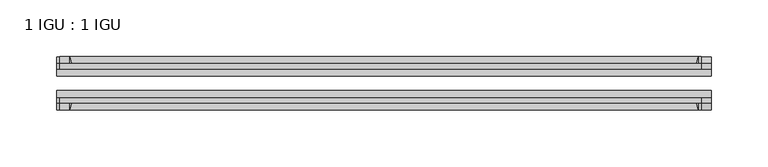
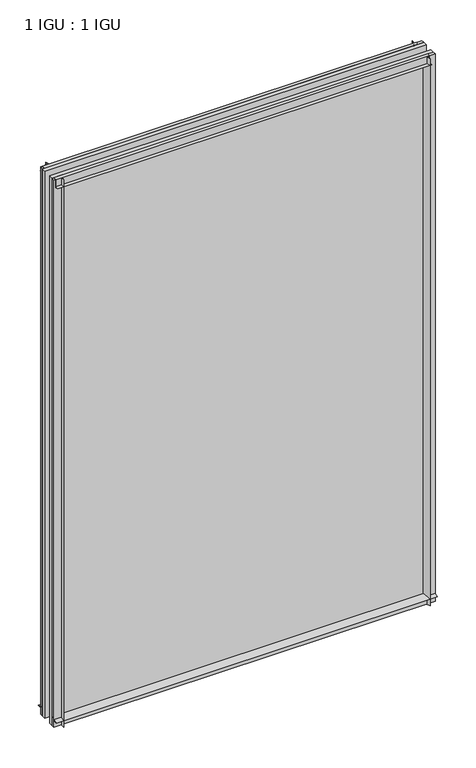
"""IFC4 building model written with IfcOpenShell, lengths in millimetres: plate geometry, 1 IGU : 1 IGU."""

from ifc_helpers import new_model, si_unit, point, frame, frame_2d, origin, place, context, project, spatial, polyline, circle_curve, trimmed, segment, composite_curve, outline, extrude, source, transform, mapped, element, save


def plate_1_igu_1_igu_88af03c9(model_context):
    return source(origin(), model_context, "Body", "SweptSolid", [
        extrude(outline(composite_curve([segment(trimmed(circle_curve(frame_2d((-28.0741797, 32.2797688)), 32.7673262), [point((-44.45, 3.8979053))], [point((-33.7058, 1.48e-05))], True, "CARTESIAN"), True, "CONTINUOUS"), segment(polyline([(-33.7058, 1.48e-05), (-39.6748, 1.48e-05), (-39.6748, -10.31875), (-44.45, -10.31875), (-44.45, 3.8979053)]), True, "CONTINUOUS")], self_intersect=False)), frame((-287.3371031, 0.0, 0.0), z_axis=(1.0, 0.0, 0.0), x_axis=(0.0, 1.0, 0.0)), (0.0, 0.0, 1.0), 574.6742063),
        extrude(outline(composite_curve([segment(trimmed(circle_curve(frame_2d((-86.2258203, 32.2797602)), 32.7673262), [point((-80.5942354, 0.0))], [point((-69.85, 3.8978967))], True, "CARTESIAN"), True, "CONTINUOUS"), segment(polyline([(-69.85, 3.8978967), (-69.85, -10.31875), (-74.6252, -10.31875), (-74.6252, 0.0), (-80.5942354, 0.0)]), True, "CONTINUOUS")], self_intersect=False)), frame((-287.3371031, 0.0, 0.0), z_axis=(1.0, 0.0, 0.0), x_axis=(0.0, 1.0, 0.0)), (0.0, 0.0, 1.0), 574.6742063),
        extrude(outline(composite_curve([segment(polyline([(-80.5942, 850.9), (-74.6252, 850.9), (-74.6252, 862.0125), (-69.85, 862.0125), (-69.85, 847.0021095)]), True, "CONTINUOUS"), segment(trimmed(circle_curve(frame_2d((-86.2258203, 818.620246)), 32.7673262), [point((-69.85, 847.0021095))], [point((-80.5942, 850.9))], True, "CARTESIAN"), True, "CONTINUOUS")], self_intersect=False)), frame((-284.7373418, 0.0, 0.0), z_axis=(1.0, 0.0, 0.0), x_axis=(0.0, 1.0, 0.0)), (0.0, 0.0, 1.0), 563.5079064),
        extrude(outline(composite_curve([segment(polyline([(-39.6748, 862.0125), (-39.6748, 850.9), (-33.7058, 850.9)]), True, "CONTINUOUS"), segment(trimmed(circle_curve(frame_2d((-28.0741797, 818.620246)), 32.7673262), [point((-33.7058, 850.9))], [point((-44.45, 847.0021095))], True, "CARTESIAN"), True, "CONTINUOUS"), segment(polyline([(-44.45, 847.0021095), (-44.45, 862.0125), (-39.6748, 862.0125)]), True, "CONTINUOUS")], self_intersect=False)), frame((-284.7373418, 0.0, 0.0), z_axis=(1.0, 0.0, 0.0), x_axis=(0.0, 1.0, 0.0)), (0.0, 0.0, 1.0), 563.5079064),
        extrude(outline(composite_curve([segment(polyline([(287.3371031, -39.6748), (287.3371031, -44.45), (272.3267126, -44.45)]), True, "CONTINUOUS"), segment(trimmed(circle_curve(frame_2d((243.9448492, -28.0741797)), 32.7673262), [point((272.3267126, -44.45))], [point((276.2246031, -33.7058))], True, "CARTESIAN"), True, "CONTINUOUS"), segment(polyline([(276.2246031, -33.7058), (276.2246031, -39.6748), (287.3371031, -39.6748)]), True, "CONTINUOUS")], self_intersect=False)), frame((0.0, 0.0, -10.31875), z_axis=(0.0, 0.0, 1.0), x_axis=(1.0, 0.0, 0.0)), (0.0, 0.0, 1.0), 872.33125),
        extrude(outline(composite_curve([segment(polyline([(287.3371031, -69.85), (287.3371031, -74.6252), (276.2246031, -74.6252), (276.2246031, -80.5942)]), True, "CONTINUOUS"), segment(trimmed(circle_curve(frame_2d((243.9448492, -86.2258203)), 32.7673262), [point((276.2246031, -80.5942))], [point((272.3267126, -69.85))], True, "CARTESIAN"), True, "CONTINUOUS"), segment(polyline([(272.3267126, -69.85), (287.3371031, -69.85)]), True, "CONTINUOUS")], self_intersect=False)), frame((0.0, 0.0, -10.31875), z_axis=(0.0, 0.0, 1.0), x_axis=(1.0, 0.0, 0.0)), (0.0, 0.0, 1.0), 872.33125),
        extrude(outline(composite_curve([segment(polyline([(-287.3371031, -39.6748), (-276.2246031, -39.6748), (-276.2246031, -33.7058)]), True, "CONTINUOUS"), segment(trimmed(circle_curve(frame_2d((-243.9448492, -28.0741797)), 32.7673262), [point((-276.2246031, -33.7058))], [point((-272.3267126, -44.45))], True, "CARTESIAN"), True, "CONTINUOUS"), segment(polyline([(-272.3267126, -44.45), (-287.3371031, -44.45), (-287.3371031, -39.6748)]), True, "CONTINUOUS")], self_intersect=False)), frame((0.0, 0.0, -10.31875), z_axis=(0.0, 0.0, 1.0), x_axis=(1.0, 0.0, 0.0)), (0.0, 0.0, 1.0), 872.33125),
        extrude(outline(composite_curve([segment(polyline([(-287.3371031, -74.6252), (-287.3371031, -69.85), (-272.3267126, -69.85)]), True, "CONTINUOUS"), segment(trimmed(circle_curve(frame_2d((-243.9448492, -86.2258203)), 32.7673262), [point((-272.3267126, -69.85))], [point((-276.2246031, -80.5942))], True, "CARTESIAN"), True, "CONTINUOUS"), segment(polyline([(-276.2246031, -80.5942), (-276.2246031, -74.6252), (-287.3371031, -74.6252)]), True, "CONTINUOUS")], self_intersect=False)), frame((0.0, 0.0, -10.31875), z_axis=(0.0, 0.0, 1.0), x_axis=(1.0, 0.0, 0.0)), (0.0, 0.0, 1.0), 872.33125),
        extrude(outline(polyline([(-287.3371031, -69.85), (-287.3371031, -63.5508), (287.3371031, -63.5508), (287.3371031, -69.85), (-287.3371031, -69.85)])), frame((0.0, 0.0, -10.31875), z_axis=(0.0, 0.0, 1.0), x_axis=(1.0, 0.0, 0.0)), (0.0, 0.0, 1.0), 872.33125),
        extrude(outline(polyline([(287.3371031, -50.7492), (-287.3371031, -50.7492), (-287.3371031, -44.45), (287.3371031, -44.45), (287.3371031, -50.7492)])), frame((0.0, 0.0, -10.31875), z_axis=(0.0, 0.0, 1.0), x_axis=(1.0, 0.0, 0.0)), (0.0, 0.0, 1.0), 872.33125),
    ])


if __name__ == "__main__":
    model = new_model("IFC4")
    model_context = context("Model", 3, world=origin())
    ifc_project = project(units=[si_unit("LENGTHUNIT", "METRE", prefix="MILLI")], contexts=[model_context])
    site = spatial("IfcSite", under=ifc_project)
    building = spatial("IfcBuilding", under=site)
    placement = place(None, origin())
    plate_1_igu_1_igu_shape = plate_1_igu_1_igu_88af03c9(model_context)
    element("IfcPlate", 1, ObjectType="1 IGU : 1 IGU", at=placement, inside=building, context=model_context, shape_type="MappedRepresentation", body=[
        mapped(plate_1_igu_1_igu_shape, transform((0.0, 0.0, 0.0), x_axis=(1.0, 0.0, 0.0), y_axis=(0.0, 1.0, 0.0), z_axis=(0.0, 0.0, 1.0))),
    ])
    save(model, "model.ifc")
